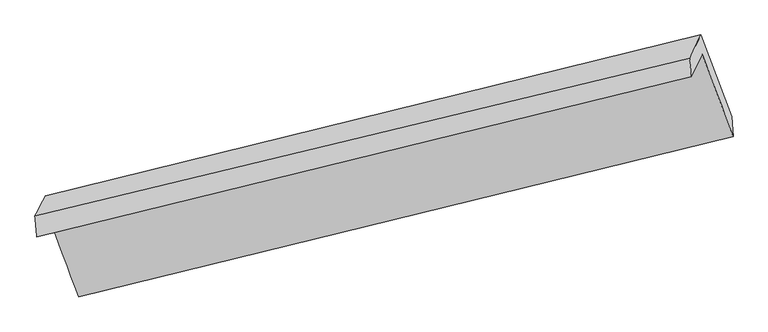
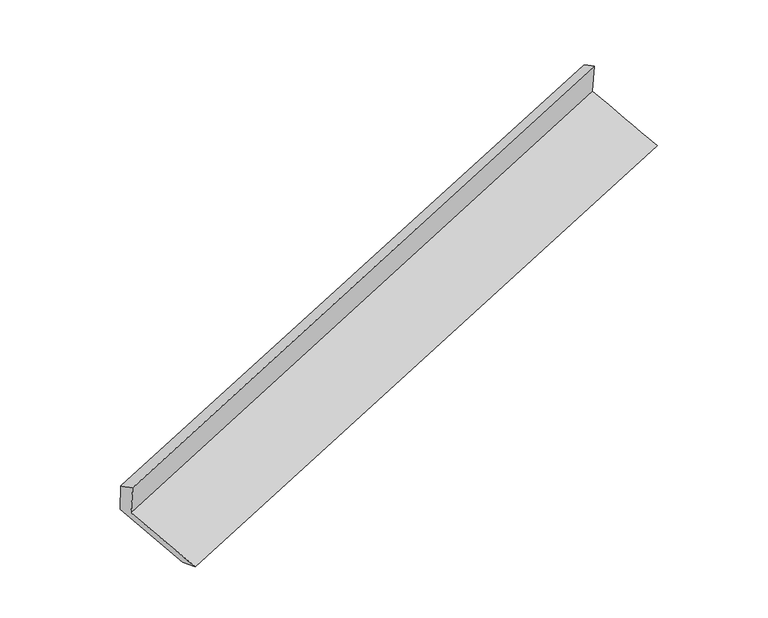
"""IFC4 building model written with IfcOpenShell, lengths in millimetres: proxy geometry."""

import ifcopenshell
import ifcopenshell.guid

model = None  # the IFC model being written
_history = None  # IfcOwnerHistory: only IFC2X3 demands one
_inside = {}  # id of a spatial element -> (the spatial element, [elements in it])
_under = {}  # id of a project, library or spatial element -> (it, [spatial elements below it])
_declared = {}  # id of a project -> (the project, [libraries it declares])
_typed = {}  # id of a type object -> (the type object, [elements of that type])
_made_of = {}  # id of a material, layer set ... -> (it, [elements and type objects made of it])


def new_model(schema):
    """Start an empty IFC model of exactly this schema.

    Asked for "IFC4X3", IfcOpenShell would pick the latest addendum, in which some entities
    have other attributes; the version numbers below select the first issue.
    IFC2X3 requires an IfcOwnerHistory on every rooted entity: one is made here for all.
    """
    global model, _history
    if schema == "IFC4X3":
        model = ifcopenshell.file(schema_version=(4, 3, 0, 0))
    else:
        model = ifcopenshell.file(schema=schema)
    _inside.clear()
    _under.clear()
    _declared.clear()
    _typed.clear()
    _made_of.clear()
    _history = None
    if model.schema == "IFC2X3":
        org = make("IfcOrganization", Name="unknown")
        user = make(
            "IfcPersonAndOrganization",
            ThePerson=make("IfcPerson", FamilyName="unknown"),
            TheOrganization=org,
        )
        app = make(
            "IfcApplication",
            ApplicationDeveloper=org,
            Version="unknown",
            ApplicationFullName="unknown",
            ApplicationIdentifier="unknown",
        )
        _history = make(
            "IfcOwnerHistory",
            OwningUser=user,
            OwningApplication=app,
            ChangeAction="ADDED",
            CreationDate=0,
        )
    return model


def make(cls, **values):
    """One entity of the class cls with the attributes given. An attribute that is None is left unset."""
    return model.create_entity(
        cls, **{name: value for name, value in values.items() if value is not None}
    )


def rooted(cls, **values):
    """An entity with a GlobalId (a new one), such as an element, a storey or a relation."""
    return make(cls, GlobalId=ifcopenshell.guid.new(), OwnerHistory=_history, **values)


def si_unit(unit_type, name, prefix=None):
    """IfcSIUnit, for example si_unit("LENGTHUNIT", "METRE", prefix="MILLI")."""
    return make("IfcSIUnit", UnitType=unit_type, Prefix=prefix, Name=name)


def assignment(units):
    """IfcUnitAssignment: the units of a project."""
    return None if units is None else make("IfcUnitAssignment", Units=units)


def point(xyz):
    """IfcCartesianPoint."""
    return None if xyz is None else make("IfcCartesianPoint", Coordinates=xyz)


def direction(xyz):
    """IfcDirection."""
    return None if xyz is None else make("IfcDirection", DirectionRatios=xyz)


def frame(location, z_axis=None, x_axis=None):
    """IfcAxis2Placement3D, a coordinate frame: its origin and axes. An axis left out is left unset."""
    return make(
        "IfcAxis2Placement3D",
        Location=point(location),
        Axis=direction(z_axis),
        RefDirection=direction(x_axis),
    )


def origin():
    """The frame at (0, 0, 0) with its axes left unset."""
    return frame((0.0, 0.0, 0.0))


def place(relative_to, where):
    """IfcLocalPlacement: puts the frame where relative to a parent placement (None: the world)."""
    return make(
        "IfcLocalPlacement", PlacementRelTo=relative_to, RelativePlacement=where
    )


def context(
    kind, dimensions, precision=None, world=None, true_north=None, identifier=None
):
    """IfcGeometricRepresentationContext, for example the 3D "Model" context."""
    return make(
        "IfcGeometricRepresentationContext",
        ContextIdentifier=identifier,
        ContextType=kind,
        CoordinateSpaceDimension=dimensions,
        Precision=precision,
        WorldCoordinateSystem=world,
        TrueNorth=true_north,
    )


def project(units=None, contexts=None):
    """IfcProject with its units and contexts."""
    return rooted(
        "IfcProject",
        Name="project",
        RepresentationContexts=contexts,
        UnitsInContext=assignment(units),
    )


def spatial(cls, under=None, at=None, **own):
    """A site, building, storey or space (cls), placed at a placement, below another one or the project."""
    s = rooted(cls, ObjectPlacement=at, **own)
    if under is not None:
        _under.setdefault(under.id(), (under, []))[1].append(s)
    return s


def shape(context_of_items, identifier, shape_type, items):
    """IfcShapeRepresentation: the items that make up one representation, for example the "Body"."""
    return make(
        "IfcShapeRepresentation",
        ContextOfItems=context_of_items,
        RepresentationIdentifier=identifier,
        RepresentationType=shape_type,
        Items=items,
    )


def source(mapping_origin, context_of_items, identifier, shape_type, items):
    """IfcRepresentationMap: a shape defined once, which mapped items show again and again."""
    return make(
        "IfcRepresentationMap",
        MappingOrigin=mapping_origin,
        MappedRepresentation=shape(context_of_items, identifier, shape_type, items),
    )


def transform(
    local_origin,
    x_axis=None,
    y_axis=None,
    z_axis=None,
    scale=None,
    scale2=None,
    scale3=None,
    uniform=True,
):
    """IfcCartesianTransformationOperator3D, or its non-uniform kind. x_axis, y_axis, z_axis: its Axis1, 2, 3."""
    if uniform:
        return make(
            "IfcCartesianTransformationOperator3D",
            Axis1=direction(x_axis),
            Axis2=direction(y_axis),
            LocalOrigin=point(local_origin),
            Scale=scale,
            Axis3=direction(z_axis),
        )
    return make(
        "IfcCartesianTransformationOperator3DnonUniform",
        Axis1=direction(x_axis),
        Axis2=direction(y_axis),
        LocalOrigin=point(local_origin),
        Scale=scale,
        Axis3=direction(z_axis),
        Scale2=scale2,
        Scale3=scale3,
    )


def mapped(mapping_source, mapping_target):
    """IfcMappedItem: shows the shape of a source again, moved by a transform."""
    return make(
        "IfcMappedItem", MappingSource=mapping_source, MappingTarget=mapping_target
    )


def made_of(thing, what):
    """Note that an element or type object is made of a material, layer set ...; save() writes the relation."""
    if what is not None:
        _made_of.setdefault(what.id(), (what, []))[1].append(thing)
    return thing


def element(
    cls,
    number,
    at=None,
    inside=None,
    cuts=None,
    type_object=None,
    material=None,
    context=None,
    identifier="Body",
    shape_type=None,
    held_by="IfcProductDefinitionShape",
    body=None,
    shapes=None,
    **own,
):
    """One element of the class cls, such as IfcWall. Its Tag is "e" and its number.

    at: its placement. inside: the storey or other place that contains it. cuts: it is an
    opening in that element (IfcRelVoidsElement). A single representation is given by context,
    identifier, shape_type and body (its items); several are given by shapes. held_by: the class
    of the entity that holds the representations. save() writes the other relations.
    """
    e = rooted(cls, Tag="e%d" % number, ObjectPlacement=at, **own)
    if body is not None:
        shapes = [shape(context, identifier, shape_type, body)]
    if shapes is not None:
        e.Representation = make(held_by, Representations=shapes)
    if inside is not None:
        _inside.setdefault(inside.id(), (inside, []))[1].append(e)
    if cuts is not None:
        rooted(
            "IfcRelVoidsElement", RelatingBuildingElement=cuts, RelatedOpeningElement=e
        )
    if type_object is not None:
        _typed.setdefault(type_object.id(), (type_object, []))[1].append(e)
    return made_of(e, material)


def aggregate(whole, parts):
    """IfcRelAggregates: a whole, such as a stair, and the parts it consists of."""
    return rooted("IfcRelAggregates", RelatingObject=whole, RelatedObjects=parts)


def save(model, path):
    """Write the relations noted so far, then the file.

    IfcRelAggregates (storeys below a building ...), IfcRelContainedInSpatialStructure (elements
    in a storey), IfcRelDefinesByType, IfcRelAssociatesMaterial and IfcRelDeclares: one each for
    every whole, place, type object, material and project.
    """
    for whole, parts in _under.values():
        aggregate(whole, parts)
    for where, things in _inside.values():
        rooted(
            "IfcRelContainedInSpatialStructure",
            RelatedElements=things,
            RelatingStructure=where,
        )
    for kind, things in _typed.values():
        rooted("IfcRelDefinesByType", RelatedObjects=things, RelatingType=kind)
    for what, things in _made_of.values():
        rooted("IfcRelAssociatesMaterial", RelatedObjects=things, RelatingMaterial=what)
    for by, libraries in _declared.values():
        rooted("IfcRelDeclares", RelatingContext=by, RelatedDefinitions=libraries)
    model.write(path)


def plane_surface(at):
    """IfcPlane: the flat surface through the origin of the frame at, square to its z axis."""
    return make("IfcPlane", Position=at)


def spline_surface(u_degree, v_degree, points, u_multiplicities, v_multiplicities, u_knots, v_knots, weights=None):
    """IfcBSplineSurfaceWithKnots; with weights, IfcRationalBSplineSurfaceWithKnots. points: one row for each step in u."""
    own = dict(
        UDegree=u_degree,
        VDegree=v_degree,
        ControlPointsList=[[point(p) for p in row] for row in points],
        SurfaceForm="UNSPECIFIED",
        UClosed=False,
        VClosed=False,
        SelfIntersect=False,
        UMultiplicities=u_multiplicities,
        VMultiplicities=v_multiplicities,
        UKnots=u_knots,
        VKnots=v_knots,
        KnotSpec="UNSPECIFIED",
    )
    if weights is None:
        return make("IfcBSplineSurfaceWithKnots", **own)
    return make("IfcRationalBSplineSurfaceWithKnots", WeightsData=weights, **own)


def advanced_brep(points, edges, surfaces, faces):
    """IfcAdvancedBrep: a solid bounded by faces that lie on surfaces and meet in shared edges.

    An edge is (start, end): straight between two places in points (the first is 0);
    or (start, end, curve); or (start, end, curve, False) where it runs against its curve.
    A face is (place in surfaces, loops), or (place, loops, False) where it looks against
    its surface's normal. A loop lists edges by number (the first is 1), with a minus sign
    where the edge is run from its end to its start. The first loop is the outer one.
    """
    corners = [point(p) for p in points]
    vertices = [make("IfcVertexPoint", VertexGeometry=c) for c in corners]
    made = []
    for start, end, *more in edges:
        made.append(
            make(
                "IfcEdgeCurve",
                EdgeStart=vertices[start],
                EdgeEnd=vertices[end],
                EdgeGeometry=more[0] if more else make("IfcPolyline", Points=[corners[start], corners[end]]),
                SameSense=more[1] if len(more) > 1 else True,
            )
        )
    hull = []
    for where, loops, *sense in faces:
        bounds = []
        for j, loop in enumerate(loops):
            ring = [make("IfcOrientedEdge", EdgeElement=made[abs(k) - 1], Orientation=k > 0) for k in loop]
            bounds.append(
                make(
                    "IfcFaceOuterBound" if j == 0 else "IfcFaceBound",
                    Bound=make("IfcEdgeLoop", EdgeList=ring),
                    Orientation=True,
                )
            )
        hull.append(make("IfcAdvancedFace", Bounds=bounds, FaceSurface=surfaces[where], SameSense=sense[0] if sense else True))
    return make("IfcAdvancedBrep", Outer=make("IfcClosedShell", CfsFaces=hull))


def generic_models_505f8b01(model_context):
    return source(origin(), model_context, "Body", "AdvancedBrep", [
        advanced_brep(
        [(-5229.001739, -1898.9905824, 1142.5353974), (-5010.5314872, -2484.7139771, 925.6055073), (-352.0722702, -1343.8543933, 2463.9679154), (-572.0370376, -755.2598461, 2681.867059), (-5307.5518809, -2059.2305943, 1496.0848987), (-651.1748934, -916.6987775, 3038.0618257), (-5322.0137286, -1906.5434916, 1425.7991594), (-661.9774449, -782.1596248, 2970.1326504), (-5247.1499325, -1765.5981047, 1097.5909308), (-581.3386057, -617.6587308, 2607.182047), (-5034.3609851, -2336.0898014, 886.3022881), (-363.0211571, -1201.8452864, 2390.9147526)],
        [
            (0, 1),
            (1, 2),
            (2, 3),
            (3, 0),
            (4, 0),
            (3, 5),
            (5, 4),
            (6, 4),
            (5, 7),
            (7, 6),
            (8, 6),
            (7, 9),
            (9, 8),
            (10, 8),
            (9, 11),
            (11, 10),
            (1, 10),
            (11, 2),
        ],
        [
            spline_surface(1, 1, [[(-5229.001739, -1898.9905824, 1142.5353974), (-572.0370376, -755.2598461, 2681.867059)], [(-5010.5314872, -2484.7139771, 925.6055073), (-352.0722702, -1343.8543933, 2463.9679154)]], [2, 2], [2, 2], [0.0, 1.0], [0.0, 1.0]),
            plane_surface(frame((-5268.2768099, -1979.1105884, 1319.310148), z_axis=(0.3263994041800713, -0.886094851422987, -0.3290886555816977), x_axis=(0.19834108839094522, 0.40461006964785784, -0.8927214034599209))),
            spline_surface(1, 1, [[(-5322.0137286, -1906.5434916, 1425.7991594), (-661.9774449, -782.1596248, 2970.1326504)], [(-5307.5518809, -2059.2305943, 1496.0848987), (-651.1748934, -916.6987775, 3038.0618257)]], [2, 2], [2, 2], [0.0, 1.0], [0.0, 1.0]),
            spline_surface(1, 1, [[(-5247.1499325, -1765.5981047, 1097.5909308), (-581.3386057, -617.6587308, 2607.182047)], [(-5322.0137286, -1906.5434916, 1425.7991594), (-661.9774449, -782.1596248, 2970.1326504)]], [2, 2], [2, 2], [0.0, 1.0], [0.0, 1.0]),
            spline_surface(1, 1, [[(-5034.3609851, -2336.0898014, 886.3022881), (-363.0211571, -1201.8452864, 2390.9147526)], [(-5247.1499325, -1765.5981047, 1097.5909308), (-581.3386057, -617.6587308, 2607.182047)]], [2, 2], [2, 2], [0.0, 1.0], [0.0, 1.0]),
            spline_surface(1, 1, [[(-5010.5314872, -2484.7139771, 925.6055073), (-352.0722702, -1343.8543933, 2463.9679154)], [(-5034.3609851, -2336.0898014, 886.3022881), (-363.0211571, -1201.8452864, 2390.9147526)]], [2, 2], [2, 2], [0.0, 1.0], [0.0, 1.0]),
            plane_surface(frame((-530.2702348, -936.2461098, 2692.0210417), z_axis=(0.9226428706288285, 0.23027747257014547, 0.3093580755443448), x_axis=(-0.19834108839094555, -0.4046100696478584, 0.8927214034599206))),
            plane_surface(frame((-5191.7682922, -2075.1944252, 1162.3196969), z_axis=(-0.9228515640386213, -0.2297185003128519, -0.3091510979529022), x_axis=(-0.33016026927443315, 0.885166708678975, 0.3278324182247154))),
        ],
        [
            (0, [[1, 2, 3, 4]]),
            (1, [[5, -4, 6, 7]]),
            (2, [[8, -7, 9, 10]]),
            (3, [[11, -10, 12, 13]]),
            (4, [[14, -13, 15, 16]]),
            (5, [[17, -16, 18, -2]]),
            (6, [[-12, -9, -6, -3, -18, -15]]),
            (7, [[-1, -5, -8, -11, -14, -17]]),
        ],
    ),
    ])


if __name__ == "__main__":
    model = new_model("IFC4")
    model_context = context("Model", 3, world=origin())
    ifc_project = project(units=[si_unit("LENGTHUNIT", "METRE", prefix="MILLI")], contexts=[model_context])
    site = spatial("IfcSite", under=ifc_project)
    building = spatial("IfcBuilding", under=site)
    placement = place(None, origin())
    generic_models_shape = generic_models_505f8b01(model_context)
    element("IfcBuildingElementProxy", 1, Name="Generic Models", at=placement, inside=building, context=model_context, shape_type="MappedRepresentation", body=[
        mapped(generic_models_shape, transform((0.0, 0.0, 0.0), x_axis=(1.0, 0.0, 0.0), y_axis=(0.0, 1.0, 0.0), z_axis=(0.0, 0.0, 1.0))),
    ])
    save(model, "model.ifc")
